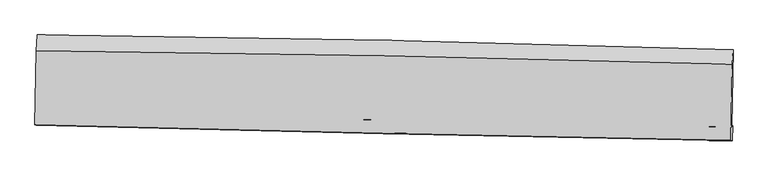
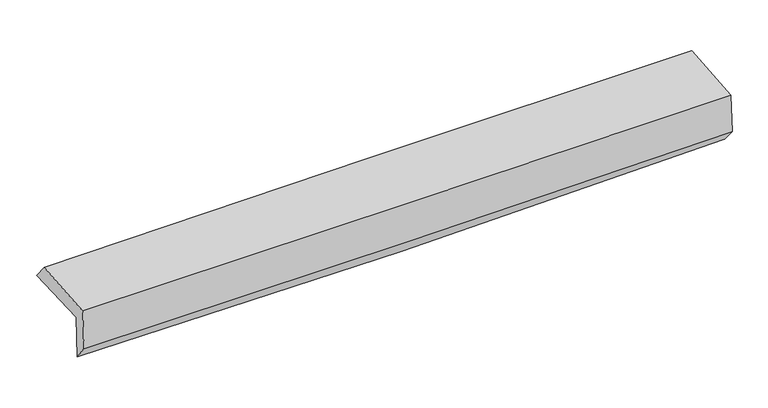
"""IFC4 building model written with IfcOpenShell, lengths in millimetres: proxy geometry."""

from ifc_helpers import new_model, si_unit, frame, origin, place, context, project, spatial, source, transform, mapped, element, save
from ifc_brep_helpers import plane_surface, spline_curve, spline_surface, advanced_brep


def generic_models_5a129eda(model_context):
    return source(origin(), model_context, "Body", "AdvancedBrep", [
        advanced_brep(
        [(-3038.1379284, -1749.3573423, 1960.6843657), (-3025.4408762, -1082.0073703, 1968.4505561), (3026.5712236, -1208.9392603, 2103.686903), (3013.7903583, -1881.5331668, 2095.2510219), (-3027.4556392, -1744.0392094, 1557.1735165), (3024.4254734, -1871.0996042, 1697.3110845), (-3034.0935459, -1868.7280733, 1718.4149538), (3017.8244815, -2001.216945, 1853.1420977), (-3043.8833881, -1864.3173881, 2095.0602278), (3008.2984487, -1996.7414762, 2219.7732102), (-3032.4114754, -1218.3455334, 2133.792051), (3020.0356436, -1335.8318437, 2259.4006875)],
        [
            (0, 1),
            (1, 2, spline_curve(3, [(-3025.4408762, -1082.0073703, 1968.4505561), (-2015.88196729, -1091.032148037, 1964.938183727), (-1006.754541015, -1106.122644606, 1974.452350147), (1010.58277919, -1148.433930693, 2019.532541655), (2018.792719267, -1175.654064156, 2055.09715739), (3026.5712236, -1208.9392603, 2103.686903)], [4, 2, 4], [0.0, 9.933766001210772, 19.86699460956612])),
            (2, 3),
            (3, 0, spline_curve(3, [(3013.7903583, -1881.5331668, 2095.2510219), (2005.733405371, -1862.463697214, 2046.800172626), (997.391220968, -1841.914648355, 2011.360811519), (-1019.918176838, -1797.856200485, 1966.503851522), (-2028.885421535, -1774.34664094, 1957.08766062), (-3038.1379284, -1749.3573423, 1960.6843657)], [4, 2, 4], [0.0, 9.933228608355348, 19.86699460956612])),
            (4, 0),
            (3, 5),
            (5, 4, spline_curve(3, [(3024.4254734, -1871.0996042, 1697.3110845), (2016.19858335, -1854.607221, 1653.441680878), (1007.775359017, -1835.773013102, 1619.828887004), (-1009.518323662, -1793.419801663, 1573.115254614), (-2018.388803804, -1769.900544664, 1560.015525915), (-3027.4556392, -1744.0392094, 1557.1735165)], [4, 2, 4], [0.0, 9.93301226637257, 19.866561913896348])),
            (6, 4),
            (5, 7),
            (7, 6, spline_curve(3, [(3017.8244815, -2001.216945, 1853.1420977), (2009.246441609, -1982.088439218, 1824.609492359), (1000.644561681, -1961.483785602, 1799.116149365), (-1016.661444859, -1917.320987816, 1754.206772458), (-2025.365574023, -1893.762684284, 1734.791067732), (-3034.0935459, -1868.7280733, 1718.4149538)], [4, 2, 4], [0.0, 9.932461832121806, 19.86546101561604])),
            (8, 6),
            (7, 9),
            (9, 8, spline_curve(3, [(3008.2984487, -1996.7414762, 2219.7732102), (1999.588397405, -1977.645313213, 2196.251793482), (990.898527176, -1957.06222988, 2174.098580496), (-1026.495420933, -1912.921027922, 2132.527438424), (-2035.199496119, -1889.362748539, 2113.109657112), (-3043.8833881, -1864.3173881, 2095.0602278)], [4, 2, 4], [0.0, 9.93233248142719, 19.86520230722887])),
            (10, 8),
            (9, 11),
            (11, 10, spline_curve(3, [(3020.0356436, -1335.8318437, 2259.4006875), (2011.484025274, -1307.814471415, 2236.414177254), (1002.851268206, -1284.015410182, 2214.453791381), (-1014.631096354, -1244.852850489, 2172.584134865), (-2023.480711778, -1229.489808133, 2152.674975325), (-3032.4114754, -1218.3455334, 2133.792051)], [4, 2, 4], [0.0, 9.932325738573034, 19.865188821155765])),
            (1, 10),
            (11, 2),
        ],
        [
            spline_surface(3, 3, [[(-3038.1379284, -1749.3573423, 1960.6843657), (-2028.885421665, -1774.346641091, 1957.087660756), (-1019.918176945, -1797.856200385, 1966.503851538), (997.391221075, -1841.914648455, 2011.360811502), (2005.733405289, -1862.463697329, 2046.800172782), (3013.7903583, -1881.5331668, 2095.2510219)], [(-3033.90557767, -1526.907351659, 1963.273095836), (-2024.550936884, -1546.57514341, 1959.704501698), (-1015.53029825, -1567.278348427, 1969.153351028), (1001.78840707, -1610.754409223, 2014.084721565), (2010.086509945, -1633.527152981, 2049.565834376), (3018.050646752, -1657.335197978, 2098.062982277)], [(-3029.67322693, -1304.457360941, 1965.861825964), (-2020.216452094, -1318.803645651, 1962.321342631), (-1011.142419568, -1336.700496484, 1971.80285057), (1006.185593053, -1379.594170006, 2016.808631679), (2014.439614545, -1404.590608598, 2052.331495939), (3022.310935148, -1433.137229122, 2100.874942623)], [(-3025.4408762, -1082.0073703, 1968.4505561), (-2015.881967312, -1091.03214797, 1964.938183572), (-1006.754540873, -1106.122644526, 1974.452350061), (1010.582779048, -1148.433930774, 2019.532541741), (2018.792719201, -1175.65406425, 2055.097157533), (3026.5712236, -1208.9392603, 2103.686903)]], [4, 4], [4, 2, 4], [0.0, 2.2728980518772017], [0.0, 9.933766001210772, 19.86699460956612]),
            spline_surface(3, 3, [[(-3027.4556392, -1744.0392094, 1557.1735165), (-2018.388803946, -1769.900544647, 1560.015525865), (-1009.518323798, -1793.41980162, 1573.115254578), (1007.775359153, -1835.773013146, 1619.82888704), (2016.198583216, -1854.607221131, 1653.441681016), (3024.4254734, -1871.0996042, 1697.3110845)], [(-3031.016402274, -1745.811920343, 1691.677132891), (-2021.887676527, -1771.382576772, 1692.372904153), (-1012.984941507, -1794.898601224, 1704.244786921), (1004.3139798, -1837.820224932, 1750.33952855), (2012.710190554, -1857.226046519, 1784.561178276), (3020.880435014, -1874.577458388, 1829.957730304)], [(-3034.577165326, -1747.584631357, 1826.180749309), (-2025.386549084, -1772.864608967, 1824.730282469), (-1016.451559235, -1796.37740078, 1835.374319195), (1000.852600428, -1839.867436669, 1880.850169992), (2009.22179795, -1859.844871942, 1915.680675522), (3017.335396686, -1878.055312612, 1962.604376096)], [(-3038.1379284, -1749.3573423, 1960.6843657), (-2028.885421665, -1774.346641091, 1957.087660756), (-1019.918176945, -1797.856200385, 1966.503851538), (997.391221075, -1841.914648455, 2011.360811502), (2005.733405289, -1862.463697329, 2046.800172782), (3013.7903583, -1881.5331668, 2095.2510219)]], [4, 4], [4, 2, 4], [0.0, 1.2881676391770849], [0.0, 9.933549647523778, 19.866561913896348]),
            spline_surface(3, 3, [[(-3034.0935459, -1868.7280733, 1718.4149538), (-2025.365574148, -1893.762684374, 1734.791067686), (-1016.661444852, -1917.320987969, 1754.206772494), (1000.644561673, -1961.483785448, 1799.116149328), (2009.246441568, -1982.088439145, 1824.609492472), (3017.8244815, -2001.216945, 1853.1420977)], [(-3031.880910333, -1827.165118664, 1664.667808032), (-2023.039984081, -1852.475304463, 1676.532553744), (-1014.280404526, -1876.020592511, 1693.842933168), (1003.02149414, -1919.580194673, 1739.353728545), (2011.56382214, -1939.594699821, 1767.5535553), (3020.024812156, -1957.844498081, 1801.198426613)], [(-3029.668274767, -1785.602164036, 1610.920662268), (-2020.714394013, -1811.187924559, 1618.274039807), (-1011.899364123, -1834.720197078, 1633.479093905), (1005.398426686, -1877.676603922, 1679.591307824), (2013.881202643, -1897.100960455, 1710.497618188), (3022.225142744, -1914.472051119, 1749.254755587)], [(-3027.4556392, -1744.0392094, 1557.1735165), (-2018.388803946, -1769.900544647, 1560.015525865), (-1009.518323798, -1793.41980162, 1573.115254578), (1007.775359153, -1835.773013146, 1619.82888704), (2016.198583216, -1854.607221131, 1653.441681016), (3024.4254734, -1871.0996042, 1697.3110845)]], [4, 4], [4, 2, 4], [0.0, 0.719512128128075], [0.0, 9.932999183494235, 19.86546101561604]),
            spline_surface(3, 3, [[(-3043.8833881, -1864.3173881, 2095.0602278), (-2035.199496108, -1889.362748669, 2113.109657033), (-1026.49542077, -1912.921027995, 2132.52743838), (990.898527013, -1957.062229806, 2174.09858054), (1999.588397276, -1977.645313177, 2196.251793364), (3008.2984487, -1996.7414762, 2219.7732102)], [(-3040.620107362, -1865.787616502, 1969.511803119), (-2031.921522117, -1890.829393906, 1987.003460569), (-1023.217428789, -1914.387681337, 2006.420549773), (994.147205242, -1958.536081704, 2049.104436824), (2002.807745349, -1979.126355138, 2072.371026412), (3011.473792942, -1998.233299105, 2097.562839378)], [(-3037.356826638, -1867.257844898, 1843.963378481), (-2028.643548139, -1892.296039138, 1860.89726415), (-1019.939436833, -1915.854334627, 1880.313661101), (997.395883445, -1960.00993355, 1924.110293044), (2006.027093495, -1980.607397184, 1948.490259425), (3014.649137258, -1999.725122095, 1975.352468522)], [(-3034.0935459, -1868.7280733, 1718.4149538), (-2025.365574148, -1893.762684374, 1734.791067686), (-1016.661444852, -1917.320987969, 1754.206772494), (1000.644561673, -1961.483785448, 1799.116149328), (2009.246441568, -1982.088439145, 1824.609492472), (3017.8244815, -2001.216945, 1853.1420977)]], [4, 4], [4, 2, 4], [0.0, 1.236235779555538], [0.0, 9.93286982580168, 19.86520230722887]),
            spline_surface(3, 3, [[(-3032.4114754, -1218.3455334, 2133.792051), (-2023.480711907, -1229.489808204, 2152.674975365), (-1014.631096197, -1244.852850407, 2172.584134859), (1002.851268048, -1284.015410264, 2214.453791386), (2011.484025289, -1307.814471523, 2236.414177399), (3020.0356436, -1335.8318437, 2259.4006875)], [(-3036.235446276, -1433.669484981, 2120.881443266), (-2027.386973284, -1449.447455039, 2139.48653592), (-1018.585871061, -1467.542242923, 2159.231902689), (998.86702103, -1508.364350097, 2201.002054427), (2007.51881595, -1531.091418771, 2223.026716037), (3016.123245299, -1556.135054564, 2246.191528384)], [(-3040.059417224, -1648.993436519, 2107.970835534), (-2031.293234732, -1669.405101833, 2126.298096477), (-1022.540645906, -1690.23163548, 2145.87967055), (994.882774031, -1732.713289973, 2187.550317499), (2003.553606614, -1754.368365929, 2209.639254725), (3012.210847001, -1776.438265336, 2232.982369316)], [(-3043.8833881, -1864.3173881, 2095.0602278), (-2035.199496108, -1889.362748669, 2113.109657033), (-1026.49542077, -1912.921027995, 2132.52743838), (990.898527013, -1957.062229806, 2174.09858054), (1999.588397276, -1977.645313177, 2196.251793364), (3008.2984487, -1996.7414762, 2219.7732102)]], [4, 4], [4, 2, 4], [0.0, 2.2042886526885406], [0.0, 9.932863082582731, 19.865188821155765]),
            spline_surface(3, 3, [[(-3025.4408762, -1082.0073703, 1968.4505561), (-2015.881967312, -1091.03214797, 1964.938183572), (-1006.754540873, -1106.122644526, 1974.452350061), (1010.582779048, -1148.433930774, 2019.532541741), (2018.792719201, -1175.65406425, 2055.097157533), (3026.5712236, -1208.9392603, 2103.686903)], [(-3027.764409284, -1127.453424651, 2023.564387757), (-2018.414882195, -1137.184701365, 2027.517114193), (-1009.380059301, -1152.36604648, 2040.496278331), (1008.005608728, -1193.627757264, 2084.506291627), (2016.356487899, -1219.707533326, 2115.536164164), (3024.392696936, -1251.236788085, 2155.591497843)], [(-3030.087942316, -1172.899479049, 2078.678219343), (-2020.947797025, -1183.337254808, 2090.096044744), (-1012.005577769, -1198.609448453, 2106.540206589), (1005.428438368, -1238.821583774, 2149.480041501), (2013.92025659, -1263.761002447, 2175.975170767), (3022.214170264, -1293.534315915, 2207.496092657)], [(-3032.4114754, -1218.3455334, 2133.792051), (-2023.480711907, -1229.489808204, 2152.674975365), (-1014.631096197, -1244.852850407, 2172.584134859), (1002.851268048, -1284.015410264, 2214.453791386), (2011.484025289, -1307.814471523, 2236.414177399), (3020.0356436, -1335.8318437, 2259.4006875)]], [4, 4], [4, 2, 4], [0.0, 0.7866860103914218], [0.0, 9.93322239299548, 19.865907422543433]),
            plane_surface(frame((3018.4909382, -1715.893716, 2038.0941675), z_axis=(0.9994698672675765, -0.01932094431225288, 0.02620468536381274), x_axis=(0.025971909072486327, -0.012201980597177328, -0.9995882010151165))),
            plane_surface(frame((-3033.5704755, -1587.7991528, 1905.5959451), z_axis=(-0.9994698672675727, 0.019320944312310528, -0.026204685363906376), x_axis=(-0.019021347150383495, -0.9997513828882051, -0.011634464564652528))),
        ],
        [
            (0, [[1, 2, 3, 4]]),
            (1, [[5, -4, 6, 7]]),
            (2, [[8, -7, 9, 10]]),
            (3, [[11, -10, 12, 13]]),
            (4, [[14, -13, 15, 16]]),
            (5, [[17, -16, 18, -2]]),
            (6, [[-12, -9, -6, -3, -18, -15]]),
            (7, [[-1, -5, -8, -11, -14, -17]]),
        ],
    ),
    ])


if __name__ == "__main__":
    model = new_model("IFC4")
    model_context = context("Model", 3, world=origin())
    ifc_project = project(units=[si_unit("LENGTHUNIT", "METRE", prefix="MILLI")], contexts=[model_context])
    site = spatial("IfcSite", under=ifc_project)
    building = spatial("IfcBuilding", under=site)
    placement = place(None, origin())
    generic_models_shape = generic_models_5a129eda(model_context)
    element("IfcBuildingElementProxy", 1, Name="Generic Models", at=placement, inside=building, context=model_context, shape_type="MappedRepresentation", body=[
        mapped(generic_models_shape, transform((0.0, 0.0, 0.0), x_axis=(1.0, 0.0, 0.0), y_axis=(0.0, 1.0, 0.0), z_axis=(0.0, 0.0, 1.0))),
    ])
    save(model, "model.ifc")
